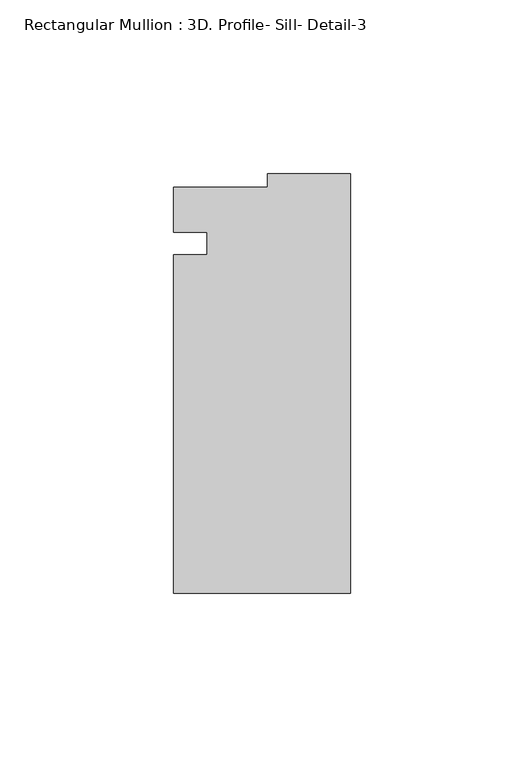
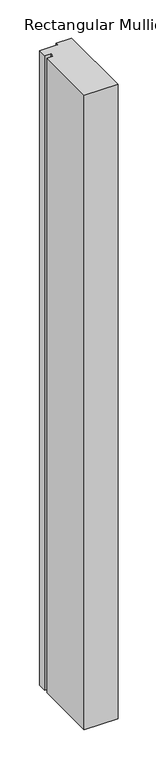
"""IFC4 building model written with IfcOpenShell, lengths in millimetres: member geometry, Rectangular Mullion : 3D. Profile- Sill- Detail-3."""

from ifc_helpers import new_model, si_unit, frame, origin, place, context, project, spatial, polyline, outline, extrude, source, transform, mapped, element, save


def rectangular_mullion_3d_profile_sill_detail_3_90d4f8a7(model_context):
    return source(origin(), model_context, "Body", "SweptSolid", [
        extrude(outline(polyline([(-50.8, -43.0771237), (-50.8, 54.3480517), (-41.275, 54.3480517), (-41.275, 60.7882901), (-50.7758192, 60.7882901), (-50.7758192, 73.7730363), (-23.7756192, 73.7730363), (-23.7756192, 77.5728763), (0.0, 77.5728763), (0.0, -43.0771237), (-50.8, -43.0771237)])), frame((0.0, 0.0, -1011.8933864), z_axis=(0.0, 0.0, 1.0), x_axis=(1.0, 0.0, 0.0)), (0.0, 0.0, 1.0), 1011.8933864),
    ])


if __name__ == "__main__":
    model = new_model("IFC4")
    model_context = context("Model", 3, world=origin())
    ifc_project = project(units=[si_unit("LENGTHUNIT", "METRE", prefix="MILLI")], contexts=[model_context])
    site = spatial("IfcSite", under=ifc_project)
    building = spatial("IfcBuilding", under=site)
    placement = place(None, origin())
    rectangular_mullion_3d_profile_sill_detail_3_shape = rectangular_mullion_3d_profile_sill_detail_3_90d4f8a7(model_context)
    element("IfcMember", 1, ObjectType="Rectangular Mullion : 3D. Profile- Sill- Detail-3", at=placement, inside=building, context=model_context, shape_type="MappedRepresentation", body=[
        mapped(rectangular_mullion_3d_profile_sill_detail_3_shape, transform((0.0, 0.0, 0.0), x_axis=(1.0, 0.0, 0.0), y_axis=(0.0, 1.0, 0.0), z_axis=(0.0, 0.0, 1.0))),
    ])
    save(model, "model.ifc")
